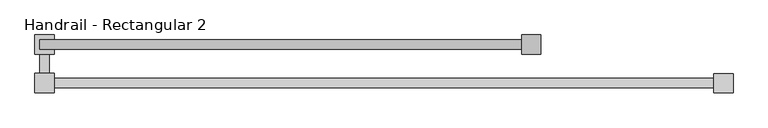
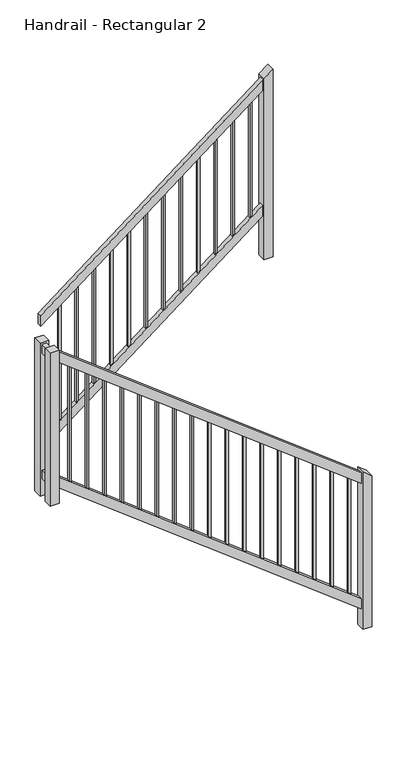
"""IFC4 building model written with IfcOpenShell, lengths in millimetres: railing geometry, Handrail - Rectangular 2."""

from ifc_helpers import new_model, si_unit, frame, origin, place, context, project, spatial, polyline, outline, extrude, source, transform, mapped, element, save


def handrail_rectangular_2_84bc9378(model_context):
    return source(origin(), model_context, "Body", "SweptSolid", [
        extrude(outline(polyline([(0.0, -25.4), (0.0, 0.0), (2247.5075752, 0.0), (2247.5075752, -25.4), (0.0, -25.4)])), frame((2830.6159737, 546.2091366, -1678.9413781), z_axis=(0.6116887058197021, 0.0, 0.7910985571802149), x_axis=(-0.7910985571802149, 0.0, 0.6116887058197021)), (0.0, 0.0, 1.0), 50.8),
        extrude(outline(polyline([(1083.6897599, 571.6091366), (1083.6897599, 546.2091366), (1070.9897599, 546.2091366), (1070.9897599, 571.6091366), (1083.6897599, 571.6091366)])), frame((0.0, 0.0, -314.7785714), z_axis=(0.0, 0.0, 1.0), x_axis=(1.0, 0.0, 0.0)), (0.0, 0.0, 1.0), 50.8),
        extrude(outline(polyline([(1070.9897599, 546.2091366), (1045.5897599, 546.2091366), (1045.5897599, 647.8091366), (1070.9897599, 647.8091366), (1070.9897599, 546.2091366)])), frame((0.0, 0.0, -314.7785714), z_axis=(0.0, 0.0, 1.0), x_axis=(1.0, 0.0, 0.0)), (0.0, 0.0, 1.0), 50.8),
        extrude(outline(polyline([(-97.0416071, 1045.5897599), (-161.2561093, 1045.5897599), (850.1854979, 2353.6897599), (914.4, 2353.6897599), (-97.0416071, 1045.5897599)])), frame((0.0, 647.8091366, 0.0), z_axis=(0.0, 1.0, 0.0), x_axis=(0.0, 0.0, 1.0)), (0.0, 0.0, 1.0), 25.4),
        extrude(outline(polyline([(0.0, -25.4), (0.0, 0.0), (2247.5075752, 0.0), (2247.5075752, -25.4), (0.0, -25.4)])), frame((2830.6159737, 546.2091366, -2440.9413781), z_axis=(0.6116887058197021, 0.0, 0.7910985571802149), x_axis=(-0.7910985571802149, 0.0, 0.6116887058197021)), (0.0, 0.0, 1.0), 50.8),
        extrude(outline(polyline([(1083.6897599, 571.6091366), (1083.6897599, 546.2091366), (1070.9897599, 546.2091366), (1070.9897599, 571.6091366), (1083.6897599, 571.6091366)])), frame((0.0, 0.0, -1076.7785714), z_axis=(0.0, 0.0, 1.0), x_axis=(1.0, 0.0, 0.0)), (0.0, 0.0, 1.0), 50.8),
        extrude(outline(polyline([(1070.9897599, 546.2091366), (1045.5897599, 546.2091366), (1045.5897599, 647.8091366), (1070.9897599, 647.8091366), (1070.9897599, 546.2091366)])), frame((0.0, 0.0, -1076.7785714), z_axis=(0.0, 0.0, 1.0), x_axis=(1.0, 0.0, 0.0)), (0.0, 0.0, 1.0), 50.8),
        extrude(outline(polyline([(-859.0416071, 1045.5897599), (-923.2561093, 1045.5897599), (88.1854979, 2353.6897599), (152.4, 2353.6897599), (-859.0416071, 1045.5897599)])), frame((0.0, 647.8091366, 0.0), z_axis=(0.0, 1.0, 0.0), x_axis=(0.0, 0.0, 1.0)), (0.0, 0.0, 1.0), 25.4),
        extrude(outline(polyline([(791.462081, 2260.3936061), (781.6422596, 2247.6936061), (70.4422596, 2247.6936061), (80.262081, 2260.3936061), (791.462081, 2260.3936061)])), frame((0.0, 654.1591366, 0.0), z_axis=(0.0, 1.0, 0.0), x_axis=(0.0, 0.0, 1.0)), (0.0, 0.0, 1.0), 12.7),
        extrude(outline(polyline([(714.4142514, 2160.7474522), (704.5944299, 2148.0474522), (-6.6055701, 2148.0474522), (3.2142514, 2160.7474522), (714.4142514, 2160.7474522)])), frame((0.0, 654.1591366, 0.0), z_axis=(0.0, 1.0, 0.0), x_axis=(0.0, 0.0, 1.0)), (0.0, 0.0, 1.0), 12.7),
        extrude(outline(polyline([(637.3664217, 2061.1012984), (627.5466003, 2048.4012984), (-83.6533997, 2048.4012984), (-73.8335783, 2061.1012984), (637.3664217, 2061.1012984)])), frame((0.0, 654.1591366, 0.0), z_axis=(0.0, 1.0, 0.0), x_axis=(0.0, 0.0, 1.0)), (0.0, 0.0, 1.0), 12.7),
        extrude(outline(polyline([(560.318592, 1961.4551445), (550.4987706, 1948.7551445), (-160.7012294, 1948.7551445), (-150.881408, 1961.4551445), (560.318592, 1961.4551445)])), frame((0.0, 654.1591366, 0.0), z_axis=(0.0, 1.0, 0.0), x_axis=(0.0, 0.0, 1.0)), (0.0, 0.0, 1.0), 12.7),
        extrude(outline(polyline([(483.2707624, 1861.8089907), (473.4509409, 1849.1089907), (-237.7490591, 1849.1089907), (-227.9292376, 1861.8089907), (483.2707624, 1861.8089907)])), frame((0.0, 654.1591366, 0.0), z_axis=(0.0, 1.0, 0.0), x_axis=(0.0, 0.0, 1.0)), (0.0, 0.0, 1.0), 12.7),
        extrude(outline(polyline([(406.2229327, 1762.1628368), (396.4031113, 1749.4628368), (-314.7968887, 1749.4628368), (-304.9770673, 1762.1628368), (406.2229327, 1762.1628368)])), frame((0.0, 654.1591366, 0.0), z_axis=(0.0, 1.0, 0.0), x_axis=(0.0, 0.0, 1.0)), (0.0, 0.0, 1.0), 12.7),
        extrude(outline(polyline([(329.175103, 1662.516683), (319.3552816, 1649.816683), (-391.8447184, 1649.816683), (-382.024897, 1662.516683), (329.175103, 1662.516683)])), frame((0.0, 654.1591366, 0.0), z_axis=(0.0, 1.0, 0.0), x_axis=(0.0, 0.0, 1.0)), (0.0, 0.0, 1.0), 12.7),
        extrude(outline(polyline([(252.1272734, 1562.8705292), (242.3074519, 1550.1705292), (-468.8925481, 1550.1705292), (-459.0727266, 1562.8705292), (252.1272734, 1562.8705292)])), frame((0.0, 654.1591366, 0.0), z_axis=(0.0, 1.0, 0.0), x_axis=(0.0, 0.0, 1.0)), (0.0, 0.0, 1.0), 12.7),
        extrude(outline(polyline([(175.0794437, 1463.2243753), (165.2596223, 1450.5243753), (-545.9403777, 1450.5243753), (-536.1205563, 1463.2243753), (175.0794437, 1463.2243753)])), frame((0.0, 654.1591366, 0.0), z_axis=(0.0, 1.0, 0.0), x_axis=(0.0, 0.0, 1.0)), (0.0, 0.0, 1.0), 12.7),
        extrude(outline(polyline([(98.031614, 1363.5782215), (88.2117926, 1350.8782215), (-622.9882074, 1350.8782215), (-613.168386, 1363.5782215), (98.031614, 1363.5782215)])), frame((0.0, 654.1591366, 0.0), z_axis=(0.0, 1.0, 0.0), x_axis=(0.0, 0.0, 1.0)), (0.0, 0.0, 1.0), 12.7),
        extrude(outline(polyline([(20.9837843, 1263.9320676), (11.1639629, 1251.2320676), (-700.0360371, 1251.2320676), (-690.2162157, 1263.9320676), (20.9837843, 1263.9320676)])), frame((0.0, 654.1591366, 0.0), z_axis=(0.0, 1.0, 0.0), x_axis=(0.0, 0.0, 1.0)), (0.0, 0.0, 1.0), 12.7),
        extrude(outline(polyline([(-56.0640453, 1164.2859138), (-65.8838668, 1151.5859138), (-777.0838668, 1151.5859138), (-767.2640453, 1164.2859138), (-56.0640453, 1164.2859138)])), frame((0.0, 654.1591366, 0.0), z_axis=(0.0, 1.0, 0.0), x_axis=(0.0, 0.0, 1.0)), (0.0, 0.0, 1.0), 12.7),
        extrude(outline(polyline([(-377.5163194, 1164.8286488), (-367.696498, 1152.1286488), (-1078.896498, 1152.1286488), (-1088.7163194, 1164.8286488), (-377.5163194, 1164.8286488)])), frame((0.0, 552.5591366, 0.0), z_axis=(0.0, 1.0, 0.0), x_axis=(0.0, 0.0, 1.0)), (0.0, 0.0, 1.0), 12.7),
        extrude(outline(polyline([(-454.9837996, 1265.0175377), (-445.1639782, 1252.3175377), (-1156.3639782, 1252.3175377), (-1166.1837996, 1265.0175377), (-454.9837996, 1265.0175377)])), frame((0.0, 552.5591366, 0.0), z_axis=(0.0, 1.0, 0.0), x_axis=(0.0, 0.0, 1.0)), (0.0, 0.0, 1.0), 12.7),
        extrude(outline(polyline([(-532.4512798, 1365.2064266), (-522.6314583, 1352.5064266), (-1233.8314583, 1352.5064266), (-1243.6512798, 1365.2064266), (-532.4512798, 1365.2064266)])), frame((0.0, 552.5591366, 0.0), z_axis=(0.0, 1.0, 0.0), x_axis=(0.0, 0.0, 1.0)), (0.0, 0.0, 1.0), 12.7),
        extrude(outline(polyline([(-609.9187599, 1465.3953155), (-600.0989385, 1452.6953155), (-1311.2989385, 1452.6953155), (-1321.1187599, 1465.3953155), (-609.9187599, 1465.3953155)])), frame((0.0, 552.5591366, 0.0), z_axis=(0.0, 1.0, 0.0), x_axis=(0.0, 0.0, 1.0)), (0.0, 0.0, 1.0), 12.7),
        extrude(outline(polyline([(-687.3862401, 1565.5842044), (-677.5664187, 1552.8842044), (-1388.7664187, 1552.8842044), (-1398.5862401, 1565.5842044), (-687.3862401, 1565.5842044)])), frame((0.0, 552.5591366, 0.0), z_axis=(0.0, 1.0, 0.0), x_axis=(0.0, 0.0, 1.0)), (0.0, 0.0, 1.0), 12.7),
        extrude(outline(polyline([(-764.8537202, 1665.7730933), (-755.0338988, 1653.0730933), (-1466.2338988, 1653.0730933), (-1476.0537202, 1665.7730933), (-764.8537202, 1665.7730933)])), frame((0.0, 552.5591366, 0.0), z_axis=(0.0, 1.0, 0.0), x_axis=(0.0, 0.0, 1.0)), (0.0, 0.0, 1.0), 12.7),
        extrude(outline(polyline([(-842.3212004, 1765.9619821), (-832.501379, 1753.2619821), (-1543.701379, 1753.2619821), (-1553.5212004, 1765.9619821), (-842.3212004, 1765.9619821)])), frame((0.0, 552.5591366, 0.0), z_axis=(0.0, 1.0, 0.0), x_axis=(0.0, 0.0, 1.0)), (0.0, 0.0, 1.0), 12.7),
        extrude(outline(polyline([(-919.7886806, 1866.150871), (-909.9688591, 1853.450871), (-1621.1688591, 1853.450871), (-1630.9886806, 1866.150871), (-919.7886806, 1866.150871)])), frame((0.0, 552.5591366, 0.0), z_axis=(0.0, 1.0, 0.0), x_axis=(0.0, 0.0, 1.0)), (0.0, 0.0, 1.0), 12.7),
        extrude(outline(polyline([(-997.2561607, 1966.3397599), (-987.4363393, 1953.6397599), (-1698.6363393, 1953.6397599), (-1708.4561607, 1966.3397599), (-997.2561607, 1966.3397599)])), frame((0.0, 552.5591366, 0.0), z_axis=(0.0, 1.0, 0.0), x_axis=(0.0, 0.0, 1.0)), (0.0, 0.0, 1.0), 12.7),
        extrude(outline(polyline([(-1074.7236409, 2066.5286488), (-1064.9038194, 2053.8286488), (-1776.1038194, 2053.8286488), (-1785.9236409, 2066.5286488), (-1074.7236409, 2066.5286488)])), frame((0.0, 552.5591366, 0.0), z_axis=(0.0, 1.0, 0.0), x_axis=(0.0, 0.0, 1.0)), (0.0, 0.0, 1.0), 12.7),
        extrude(outline(polyline([(-1152.191121, 2166.7175377), (-1142.3712996, 2154.0175377), (-1853.5712996, 2154.0175377), (-1863.391121, 2166.7175377), (-1152.191121, 2166.7175377)])), frame((0.0, 552.5591366, 0.0), z_axis=(0.0, 1.0, 0.0), x_axis=(0.0, 0.0, 1.0)), (0.0, 0.0, 1.0), 12.7),
        extrude(outline(polyline([(-1229.6586012, 2266.9064266), (-1219.8387798, 2254.2064266), (-1931.0387798, 2254.2064266), (-1940.8586012, 2266.9064266), (-1229.6586012, 2266.9064266)])), frame((0.0, 552.5591366, 0.0), z_axis=(0.0, 1.0, 0.0), x_axis=(0.0, 0.0, 1.0)), (0.0, 0.0, 1.0), 12.7),
        extrude(outline(polyline([(-1307.1260813, 2367.0953155), (-1297.3062599, 2354.3953155), (-2008.5062599, 2354.3953155), (-2018.3260813, 2367.0953155), (-1307.1260813, 2367.0953155)])), frame((0.0, 552.5591366, 0.0), z_axis=(0.0, 1.0, 0.0), x_axis=(0.0, 0.0, 1.0)), (0.0, 0.0, 1.0), 12.7),
        extrude(outline(polyline([(-1384.5935615, 2467.2842044), (-1374.7737401, 2454.5842044), (-2085.9737401, 2454.5842044), (-2095.7935615, 2467.2842044), (-1384.5935615, 2467.2842044)])), frame((0.0, 552.5591366, 0.0), z_axis=(0.0, 1.0, 0.0), x_axis=(0.0, 0.0, 1.0)), (0.0, 0.0, 1.0), 12.7),
        extrude(outline(polyline([(-1462.0610417, 2567.4730933), (-1452.2412202, 2554.7730933), (-2163.4412202, 2554.7730933), (-2173.2610417, 2567.4730933), (-1462.0610417, 2567.4730933)])), frame((0.0, 552.5591366, 0.0), z_axis=(0.0, 1.0, 0.0), x_axis=(0.0, 0.0, 1.0)), (0.0, 0.0, 1.0), 12.7),
        extrude(outline(polyline([(-1539.5285218, 2667.6619821), (-1529.7087004, 2654.9619821), (-2240.9087004, 2654.9619821), (-2250.7285218, 2667.6619821), (-1539.5285218, 2667.6619821)])), frame((0.0, 552.5591366, 0.0), z_axis=(0.0, 1.0, 0.0), x_axis=(0.0, 0.0, 1.0)), (0.0, 0.0, 1.0), 12.7),
        extrude(outline(polyline([(-1616.996002, 2767.850871), (-1607.1761806, 2755.150871), (-2318.3761806, 2755.150871), (-2328.196002, 2767.850871), (-1616.996002, 2767.850871)])), frame((0.0, 552.5591366, 0.0), z_axis=(0.0, 1.0, 0.0), x_axis=(0.0, 0.0, 1.0)), (0.0, 0.0, 1.0), 12.7),
        extrude(outline(polyline([(1083.6897599, 635.1091366), (1032.8897599, 635.1091366), (1032.8897599, 685.9091366), (1083.6897599, 685.9091366), (1083.6897599, 635.1091366)])), frame((0.0, 0.0, -1178.3785714), z_axis=(0.0, 0.0, 1.0), x_axis=(1.0, 0.0, 0.0)), (0.0, 0.0, 1.0), 927.1),
        extrude(outline(polyline([(1083.6897599, 584.3091366), (1083.6897599, 533.5091366), (1032.8897599, 533.5091366), (1032.8897599, 584.3091366), (1083.6897599, 584.3091366)])), frame((0.0, 0.0, -1178.3785714), z_axis=(0.0, 0.0, 1.0), x_axis=(1.0, 0.0, 0.0)), (0.0, 0.0, 1.0), 927.1),
        extrude(outline(polyline([(939.3747768, 2369.5647599), (900.0954911, 2318.7647599), (-196.3964286, 2318.7647599), (-196.3964286, 2369.5647599), (939.3747768, 2369.5647599)])), frame((0.0, 635.1091366, 0.0), z_axis=(0.0, 1.0, 0.0), x_axis=(0.0, 0.0, 1.0)), (0.0, 0.0, 1.0), 50.8),
        extrude(outline(polyline([(-1638.3283482, 2877.5647599), (-1599.0490625, 2826.7647599), (-2553.1535714, 2826.7647599), (-2553.1535714, 2877.5647599), (-1638.3283482, 2877.5647599)])), frame((0.0, 533.5091366, 0.0), z_axis=(0.0, 1.0, 0.0), x_axis=(0.0, 0.0, 1.0)), (0.0, 0.0, 1.0), 50.8),
    ])


if __name__ == "__main__":
    model = new_model("IFC4")
    model_context = context("Model", 3, world=origin())
    ifc_project = project(units=[si_unit("LENGTHUNIT", "METRE", prefix="MILLI")], contexts=[model_context])
    site = spatial("IfcSite", under=ifc_project)
    building = spatial("IfcBuilding", under=site)
    placement = place(None, origin())
    handrail_rectangular_2_shape = handrail_rectangular_2_84bc9378(model_context)
    element("IfcRailing", 1, ObjectType="Handrail - Rectangular 2", at=placement, inside=building, context=model_context, shape_type="MappedRepresentation", body=[
        mapped(handrail_rectangular_2_shape, transform((0.0, 0.0, 0.0), x_axis=(1.0, 0.0, 0.0), y_axis=(0.0, 1.0, 0.0), z_axis=(0.0, 0.0, 1.0))),
    ])
    save(model, "model.ifc")
